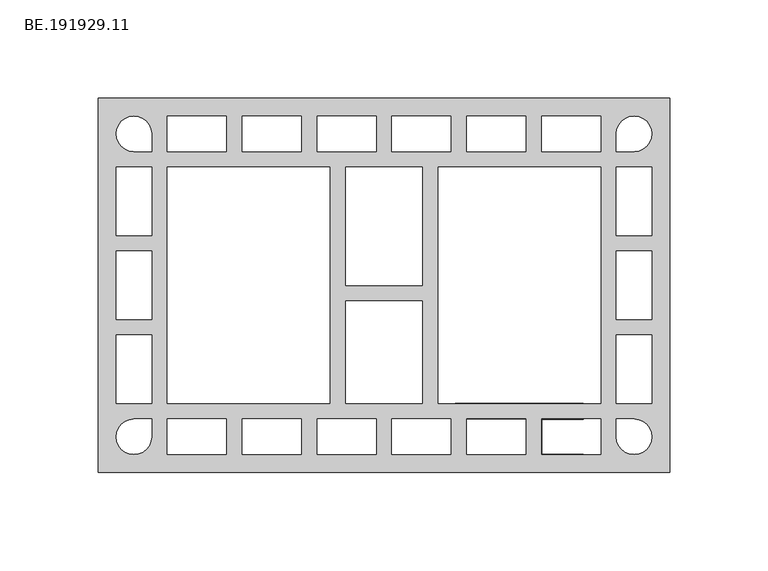
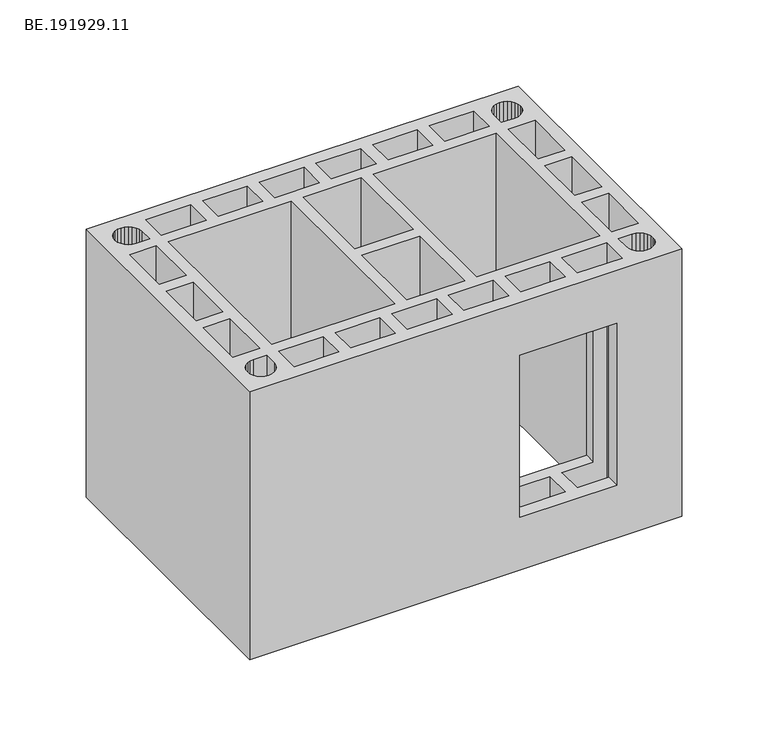
"""IFC4 building model written with IfcOpenShell, lengths in millimetres: proxy geometry, BE.191929.11."""

from ifc_helpers import new_model, si_unit, origin, place, context, project, spatial, faceted_brep, source, transform, mapped, element, save


def be_191929_11_d03b2e4c(model_context):
    return source(origin(), model_context, "Body", "Brep", [
        faceted_brep([(295.0, 95.0050293, 190.0), (5.0, 95.0050293, 190.0), (5.0, -95.0050293, 190.0), (295.0, -95.0050293, 190.0), (29.352002, 83.3592285, 190.0), (30.7844727, 81.498877, 190.0), (31.6774414, 79.3408691, 190.0), (31.9937012, 76.9968262, 190.0), (31.9937012, 68.0113281, 190.0), (22.9895996, 68.0113281, 190.0), (20.6641602, 68.3089844, 190.0), (18.4875488, 69.2019531, 190.0), (16.6271973, 70.6344238, 190.0), (15.1947266, 72.4947754, 190.0), (14.3017578, 74.6713867, 190.0), (13.985498, 76.9968262, 190.0), (14.3017578, 79.3408691, 190.0), (15.1947266, 81.498877, 190.0), (16.6271973, 83.3592285, 190.0), (18.4875488, 84.7916992, 190.0), (20.6641602, 85.7032715, 190.0), (22.9895996, 86.0009277, 190.0), (25.3150391, 85.7032715, 190.0), (27.4916504, 84.7916992, 190.0), (70.0006836, 86.0009277, 190.0), (70.0006836, 68.0113281, 190.0), (39.9932129, 68.0113281, 190.0), (39.9932129, 86.0009277, 190.0), (107.9890625, 86.0009277, 190.0), (107.9890625, 68.0113281, 190.0), (78.0001953, 68.0113281, 190.0), (78.0001953, 86.0009277, 190.0), (145.9960449, 86.0009277, 190.0), (145.9960449, 68.0051514, 190.0), (115.9885742, 68.0051514, 190.0), (115.9885742, 86.0009277, 190.0), (169.4922852, 60.0056396, 190.0), (169.4922852, 0.0, 190.0), (130.4993164, 0.0, 190.0), (130.4993164, 60.0056396, 190.0), (130.4993164, -59.9870361, 190.0), (130.4993164, -7.99021, 190.0), (169.4922852, -7.99021, 190.0), (169.4922852, -59.9870361, 190.0), (184.0030273, 68.0051514, 190.0), (153.9955566, 68.0051514, 190.0), (153.9955566, 86.0009277, 190.0), (184.0030273, 86.0009277, 190.0), (192.0025391, 86.0009277, 190.0), (221.9914063, 86.0009277, 190.0), (221.9914063, 68.0113281, 190.0), (192.0025391, 68.0113281, 190.0), (259.9983887, 86.0009277, 190.0), (259.9983887, 68.0113281, 190.0), (229.990918, 68.0113281, 190.0), (229.990918, 86.0009277, 190.0), (269.1885254, 81.498877, 190.0), (270.6209961, 83.3592285, 190.0), (272.4999512, 84.7916992, 190.0), (274.657959, 85.7032715, 190.0), (276.9833984, 86.0009277, 190.0), (279.3274414, 85.7032715, 190.0), (281.4854492, 84.7916992, 190.0), (283.3458008, 83.3592285, 190.0), (284.7782715, 81.498877, 190.0), (285.6898438, 79.3408691, 190.0), (285.9875, 76.9968262, 190.0), (285.6898438, 74.6713867, 190.0), (284.7782715, 72.4947754, 190.0), (283.3458008, 70.6344238, 190.0), (281.4854492, 69.2019531, 190.0), (279.3274414, 68.3089844, 190.0), (276.9833984, 68.0113281, 190.0), (267.9979004, 68.0113281, 190.0), (267.9979004, 76.9968262, 190.0), (268.2955566, 79.3408691, 190.0), (122.4998047, 60.0118164, 190.0), (122.4998047, -59.9932129, 190.0), (39.9932129, -59.9932129, 190.0), (39.9932129, 60.0118164, 190.0), (259.9983887, 60.0118164, 190.0), (259.9983887, -59.9932129, 190.0), (177.4917969, -59.9932129, 190.0), (177.4917969, 60.0118164, 190.0), (267.9979004, 60.0118164, 190.0), (285.9875, 60.0118164, 190.0), (285.9875, 25.34729, 190.0), (267.9979004, 25.34729, 190.0), (29.352002, -83.3592285, 190.0), (27.4916504, -84.7916992, 190.0), (25.3150391, -85.7032715, 190.0), (22.9895996, -86.0009277, 190.0), (20.6641602, -85.7032715, 190.0), (18.4875488, -84.7916992, 190.0), (16.6271973, -83.3592285, 190.0), (15.1947266, -81.498877, 190.0), (14.3017578, -79.3408691, 190.0), (13.985498, -76.9968262, 190.0), (14.3017578, -74.6713867, 190.0), (15.1947266, -72.4947754, 190.0), (16.6271973, -70.6344238, 190.0), (18.4875488, -69.2019531, 190.0), (20.6641602, -68.3089844, 190.0), (22.9895996, -68.0113281, 190.0), (31.9937012, -68.0113281, 190.0), (31.9937012, -76.9968262, 190.0), (31.6774414, -79.3408691, 190.0), (30.7844727, -81.498877, 190.0), (70.0006836, -86.0009277, 190.0), (39.9932129, -86.0009277, 190.0), (39.9932129, -68.0113281, 190.0), (70.0006836, -68.0113281, 190.0), (107.9890625, -86.0009277, 190.0), (78.0001953, -86.0009277, 190.0), (78.0001953, -68.0113281, 190.0), (107.9890625, -68.0113281, 190.0), (145.9960449, -86.0009277, 190.0), (115.9885742, -86.0009277, 190.0), (115.9885742, -67.9865479, 190.0), (145.9960449, -67.9865479, 190.0), (184.0030273, -67.9865479, 190.0), (184.0030273, -86.0009277, 190.0), (153.9955566, -86.0009277, 190.0), (153.9955566, -67.9865479, 190.0), (192.0025391, -86.0009277, 190.0), (192.0025391, -68.0113281, 190.0), (221.9914063, -68.0113281, 190.0), (221.9914063, -86.0009277, 190.0), (259.9983887, -86.0009277, 190.0), (229.990918, -86.0009277, 190.0), (229.990918, -68.0113281, 190.0), (259.9983887, -68.0113281, 190.0), (269.1885254, -81.498877, 190.0), (268.2955566, -79.3408691, 190.0), (267.9979004, -76.9968262, 190.0), (267.9979004, -68.0113281, 190.0), (276.9833984, -68.0113281, 190.0), (279.3274414, -68.3089844, 190.0), (281.4854492, -69.2019531, 190.0), (283.3458008, -70.6344238, 190.0), (284.7782715, -72.4947754, 190.0), (285.6898438, -74.6713867, 190.0), (285.9875, -76.9968262, 190.0), (285.6898438, -79.3408691, 190.0), (284.7782715, -81.498877, 190.0), (283.3458008, -83.3592285, 190.0), (281.4854492, -84.7916992, 190.0), (279.3274414, -85.7032715, 190.0), (276.9833984, -86.0009277, 190.0), (274.657959, -85.7032715, 190.0), (272.4999512, -84.7916992, 190.0), (270.6209961, -83.3592285, 190.0), (267.9979004, -60.0118164, 190.0), (267.9979004, -25.3286865, 190.0), (285.9875, -25.3286865, 190.0), (285.9875, -60.0118164, 190.0), (32.0020996, 60.0118164, 190.0), (32.0020996, 25.34729, 190.0), (14.0125, 25.34729, 190.0), (14.0125, 60.0118164, 190.0), (32.0020996, -60.0118164, 190.0), (14.0125, -60.0118164, 190.0), (14.0125, -25.3286865, 190.0), (32.0020996, -25.3286865, 190.0), (14.0125, 17.3477783, 190.0), (31.9937012, 17.3477783, 190.0), (31.9937012, -17.3291748, 190.0), (14.0125, -17.3291748, 190.0), (267.9979004, 17.3477783, 190.0), (285.9875, 17.3477783, 190.0), (285.9875, -17.3291748, 190.0), (267.9979004, -17.3291748, 190.0), (295.0, 95.0050293, 0.0), (295.0, -95.0050293, 0.0), (5.0, -95.0050293, 0.0), (5.0, 95.0050293, 0.0), (29.352002, 83.3592285, 0.0), (27.4916504, 84.7916992, 0.0), (25.3150391, 85.7032715, 0.0), (22.9895996, 86.0009277, 0.0), (20.6641602, 85.7032715, 0.0), (18.4875488, 84.7916992, 0.0), (16.6271973, 83.3592285, 0.0), (15.1947266, 81.498877, 0.0), (14.3017578, 79.3408691, 0.0), (13.985498, 76.9968262, 0.0), (14.3017578, 74.6713867, 0.0), (15.1947266, 72.4947754, 0.0), (16.6271973, 70.6344238, 0.0), (18.4875488, 69.2019531, 0.0), (20.6641602, 68.3089844, 0.0), (22.9895996, 68.0113281, 0.0), (31.9937012, 68.0113281, 0.0), (31.9937012, 76.9968262, 0.0), (31.6774414, 79.3408691, 0.0), (30.7844727, 81.498877, 0.0), (70.0006836, 86.0009277, 0.0), (39.9932129, 86.0009277, 0.0), (39.9932129, 68.0113281, 0.0), (70.0006836, 68.0113281, 0.0), (107.9890625, 86.0009277, 0.0), (78.0001953, 86.0009277, 0.0), (78.0001953, 68.0113281, 0.0), (107.9890625, 68.0113281, 0.0), (145.9960449, 86.0009277, 0.0), (115.9885742, 86.0009277, 0.0), (115.9885742, 68.0051514, 0.0), (145.9960449, 68.0051514, 0.0), (169.4922852, 60.0056396, 0.0), (130.4993164, 60.0056396, 0.0), (130.4993164, 0.0, 0.0), (169.4922852, 0.0, 0.0), (130.4993164, -59.9870361, 0.0), (169.4922852, -59.9870361, 0.0), (169.4922852, -7.99021, 0.0), (130.4993164, -7.99021, 0.0), (184.0030273, 68.0051514, 0.0), (184.0030273, 86.0009277, 0.0), (153.9955566, 86.0009277, 0.0), (153.9955566, 68.0051514, 0.0), (192.0025391, 86.0009277, 0.0), (192.0025391, 68.0113281, 0.0), (221.9914063, 68.0113281, 0.0), (221.9914063, 86.0009277, 0.0), (259.9983887, 86.0009277, 0.0), (229.990918, 86.0009277, 0.0), (229.990918, 68.0113281, 0.0), (259.9983887, 68.0113281, 0.0), (269.1885254, 81.498877, 0.0), (268.2955566, 79.3408691, 0.0), (267.9979004, 76.9968262, 0.0), (267.9979004, 68.0113281, 0.0), (276.9833984, 68.0113281, 0.0), (279.3274414, 68.3089844, 0.0), (281.4854492, 69.2019531, 0.0), (283.3458008, 70.6344238, 0.0), (284.7782715, 72.4947754, 0.0), (285.6898438, 74.6713867, 0.0), (285.9875, 76.9968262, 0.0), (285.6898438, 79.3408691, 0.0), (284.7782715, 81.498877, 0.0), (283.3458008, 83.3592285, 0.0), (281.4854492, 84.7916992, 0.0), (279.3274414, 85.7032715, 0.0), (276.9833984, 86.0009277, 0.0), (274.657959, 85.7032715, 0.0), (272.4999512, 84.7916992, 0.0), (270.6209961, 83.3592285, 0.0), (122.4998047, 60.0118164, 0.0), (39.9932129, 60.0118164, 0.0), (39.9932129, -59.9932129, 0.0), (122.4998047, -59.9932129, 0.0), (259.9983887, 60.0118164, 0.0), (177.4917969, 60.0118164, 0.0), (177.4917969, -59.9932129, 0.0), (259.9983887, -59.9932129, 0.0), (267.9979004, 60.0118164, 0.0), (267.9979004, 25.34729, 0.0), (285.9875, 25.34729, 0.0), (285.9875, 60.0118164, 0.0), (29.352002, -83.3592285, 0.0), (30.7844727, -81.498877, 0.0), (31.6774414, -79.3408691, 0.0), (31.9937012, -76.9968262, 0.0), (31.9937012, -68.0113281, 0.0), (22.9895996, -68.0113281, 0.0), (20.6641602, -68.3089844, 0.0), (18.4875488, -69.2019531, 0.0), (16.6271973, -70.6344238, 0.0), (15.1947266, -72.4947754, 0.0), (14.3017578, -74.6713867, 0.0), (13.985498, -76.9968262, 0.0), (14.3017578, -79.3408691, 0.0), (15.1947266, -81.498877, 0.0), (16.6271973, -83.3592285, 0.0), (18.4875488, -84.7916992, 0.0), (20.6641602, -85.7032715, 0.0), (22.9895996, -86.0009277, 0.0), (25.3150391, -85.7032715, 0.0), (27.4916504, -84.7916992, 0.0), (70.0006836, -86.0009277, 0.0), (70.0006836, -68.0113281, 0.0), (39.9932129, -68.0113281, 0.0), (39.9932129, -86.0009277, 0.0), (107.9890625, -86.0009277, 0.0), (107.9890625, -68.0113281, 0.0), (78.0001953, -68.0113281, 0.0), (78.0001953, -86.0009277, 0.0), (145.9960449, -86.0009277, 0.0), (145.9960449, -67.9865479, 0.0), (115.9885742, -67.9865479, 0.0), (115.9885742, -86.0009277, 0.0), (184.0030273, -67.9865479, 0.0), (153.9955566, -67.9865479, 0.0), (153.9955566, -86.0009277, 0.0), (184.0030273, -86.0009277, 0.0), (192.0025391, -86.0009277, 0.0), (221.9914063, -86.0009277, 0.0), (221.9914063, -68.0113281, 0.0), (192.0025391, -68.0113281, 0.0), (259.9983887, -86.0009277, 0.0), (259.9983887, -68.0113281, 0.0), (229.990918, -68.0113281, 0.0), (229.990918, -86.0009277, 0.0), (269.1885254, -81.498877, 0.0), (270.6209961, -83.3592285, 0.0), (272.4999512, -84.7916992, 0.0), (274.657959, -85.7032715, 0.0), (276.9833984, -86.0009277, 0.0), (279.3274414, -85.7032715, 0.0), (281.4854492, -84.7916992, 0.0), (283.3458008, -83.3592285, 0.0), (284.7782715, -81.498877, 0.0), (285.6898438, -79.3408691, 0.0), (285.9875, -76.9968262, 0.0), (285.6898438, -74.6713867, 0.0), (284.7782715, -72.4947754, 0.0), (283.3458008, -70.6344238, 0.0), (281.4854492, -69.2019531, 0.0), (279.3274414, -68.3089844, 0.0), (276.9833984, -68.0113281, 0.0), (267.9979004, -68.0113281, 0.0), (267.9979004, -76.9968262, 0.0), (268.2955566, -79.3408691, 0.0), (267.9979004, -60.0118164, 0.0), (285.9875, -60.0118164, 0.0), (285.9875, -25.3286865, 0.0), (267.9979004, -25.3286865, 0.0), (32.0020996, 60.0118164, 0.0), (14.0125, 60.0118164, 0.0), (14.0125, 25.34729, 0.0), (32.0020996, 25.34729, 0.0), (32.0020996, -60.0118164, 0.0), (32.0020996, -25.3286865, 0.0), (14.0125, -25.3286865, 0.0), (14.0125, -60.0118164, 0.0), (14.0125, 17.3477783, 0.0), (14.0125, -17.3291748, 0.0), (31.9937012, -17.3291748, 0.0), (31.9937012, 17.3477783, 0.0), (267.9979004, 17.3477783, 0.0), (267.9979004, -17.3291748, 0.0), (285.9875, -17.3291748, 0.0), (285.9875, 17.3477783, 0.0), (186.2624512, -95.0050293, 152.5), (251.2631348, -95.0050293, 152.5), (251.2631348, -95.0050293, 37.5), (186.2624512, -95.0050293, 37.5), (251.2631348, -59.9932129, 152.5), (186.2624512, -59.9932129, 152.5), (186.2624512, -59.9932129, 37.5), (251.2631348, -59.9932129, 37.5), (192.0025391, -86.0009277, 152.5), (192.0025391, -68.0113281, 152.5), (192.0025391, -68.0113281, 37.5), (192.0025391, -86.0009277, 37.5), (221.9914063, -68.0113281, 152.5), (221.9914063, -68.0113281, 37.5), (221.9914063, -86.0009277, 152.5), (221.9914063, -86.0009277, 37.5), (229.990918, -86.0009277, 37.5), (251.2631348, -86.0009277, 37.5), (251.2631348, -86.0009277, 152.5), (229.990918, -86.0009277, 152.5), (229.990918, -68.0113281, 152.5), (229.990918, -68.0113281, 37.5), (251.2631348, -68.0113281, 152.5), (251.2631348, -68.0113281, 37.5)], [[[0, 1, 2, 3], [4, 5, 6, 7, 8, 9, 10, 11, 12, 13, 14, 15, 16, 17, 18, 19, 20, 21, 22, 23], [24, 25, 26, 27], [28, 29, 30, 31], [32, 33, 34, 35], [36, 37, 38, 39], [40, 41, 42, 43], [44, 45, 46, 47], [48, 49, 50, 51], [52, 53, 54, 55], [56, 57, 58, 59, 60, 61, 62, 63, 64, 65, 66, 67, 68, 69, 70, 71, 72, 73, 74, 75], [76, 77, 78, 79], [80, 81, 82, 83], [84, 85, 86, 87], [88, 89, 90, 91, 92, 93, 94, 95, 96, 97, 98, 99, 100, 101, 102, 103, 104, 105, 106, 107], [108, 109, 110, 111], [112, 113, 114, 115], [116, 117, 118, 119], [120, 121, 122, 123], [124, 125, 126, 127], [128, 129, 130, 131], [132, 133, 134, 135, 136, 137, 138, 139, 140, 141, 142, 143, 144, 145, 146, 147, 148, 149, 150, 151], [152, 153, 154, 155], [156, 157, 158, 159], [160, 161, 162, 163], [164, 165, 166, 167], [168, 169, 170, 171]], [[172, 173, 174, 175], [176, 177, 178, 179, 180, 181, 182, 183, 184, 185, 186, 187, 188, 189, 190, 191, 192, 193, 194, 195], [196, 197, 198, 199], [200, 201, 202, 203], [204, 205, 206, 207], [208, 209, 210, 211], [212, 213, 214, 215], [216, 217, 218, 219], [220, 221, 222, 223], [224, 225, 226, 227], [228, 229, 230, 231, 232, 233, 234, 235, 236, 237, 238, 239, 240, 241, 242, 243, 244, 245, 246, 247], [248, 249, 250, 251], [252, 253, 254, 255], [256, 257, 258, 259], [260, 261, 262, 263, 264, 265, 266, 267, 268, 269, 270, 271, 272, 273, 274, 275, 276, 277, 278, 279], [280, 281, 282, 283], [284, 285, 286, 287], [288, 289, 290, 291], [292, 293, 294, 295], [296, 297, 298, 299], [300, 301, 302, 303], [304, 305, 306, 307, 308, 309, 310, 311, 312, 313, 314, 315, 316, 317, 318, 319, 320, 321, 322, 323], [324, 325, 326, 327], [328, 329, 330, 331], [332, 333, 334, 335], [336, 337, 338, 339], [340, 341, 342, 343]], [[1, 0, 172, 175]], [[2, 1, 175, 174]], [[3, 2, 174, 173], [344, 345, 346, 347]], [[0, 3, 173, 172]], [[5, 4, 176, 195]], [[6, 5, 195, 194]], [[7, 6, 194, 193]], [[8, 7, 193, 192]], [[9, 8, 192, 191]], [[10, 9, 191, 190]], [[11, 10, 190, 189]], [[12, 11, 189, 188]], [[13, 12, 188, 187]], [[14, 13, 187, 186]], [[15, 14, 186, 185]], [[16, 15, 185, 184]], [[17, 16, 184, 183]], [[18, 17, 183, 182]], [[19, 18, 182, 181]], [[20, 19, 181, 180]], [[21, 20, 180, 179]], [[22, 21, 179, 178]], [[23, 22, 178, 177]], [[4, 23, 177, 176]], [[25, 24, 196, 199]], [[26, 25, 199, 198]], [[27, 26, 198, 197]], [[24, 27, 197, 196]], [[29, 28, 200, 203]], [[30, 29, 203, 202]], [[31, 30, 202, 201]], [[28, 31, 201, 200]], [[33, 32, 204, 207]], [[34, 33, 207, 206]], [[35, 34, 206, 205]], [[32, 35, 205, 204]], [[37, 36, 208, 211]], [[40, 43, 213, 212]], [[41, 40, 212, 215]], [[36, 39, 209, 208]], [[45, 44, 216, 219]], [[46, 45, 219, 218]], [[47, 46, 218, 217]], [[44, 47, 217, 216]], [[49, 48, 220, 223]], [[50, 49, 223, 222]], [[51, 50, 222, 221]], [[48, 51, 221, 220]], [[53, 52, 224, 227]], [[54, 53, 227, 226]], [[55, 54, 226, 225]], [[52, 55, 225, 224]], [[57, 56, 228, 247]], [[58, 57, 247, 246]], [[59, 58, 246, 245]], [[60, 59, 245, 244]], [[61, 60, 244, 243]], [[62, 61, 243, 242]], [[63, 62, 242, 241]], [[64, 63, 241, 240]], [[65, 64, 240, 239]], [[66, 65, 239, 238]], [[67, 66, 238, 237]], [[68, 67, 237, 236]], [[69, 68, 236, 235]], [[70, 69, 235, 234]], [[71, 70, 234, 233]], [[72, 71, 233, 232]], [[73, 72, 232, 231]], [[74, 73, 231, 230]], [[75, 74, 230, 229]], [[56, 75, 229, 228]], [[77, 76, 248, 251]], [[78, 77, 251, 250]], [[79, 78, 250, 249]], [[76, 79, 249, 248]], [[81, 80, 252, 255]], [[82, 81, 255, 254], [348, 349, 350, 351]], [[83, 82, 254, 253]], [[80, 83, 253, 252]], [[85, 84, 256, 259]], [[86, 85, 259, 258]], [[87, 86, 258, 257]], [[84, 87, 257, 256]], [[89, 88, 260, 279]], [[90, 89, 279, 278]], [[91, 90, 278, 277]], [[92, 91, 277, 276]], [[93, 92, 276, 275]], [[94, 93, 275, 274]], [[95, 94, 274, 273]], [[96, 95, 273, 272]], [[97, 96, 272, 271]], [[98, 97, 271, 270]], [[99, 98, 270, 269]], [[100, 99, 269, 268]], [[101, 100, 268, 267]], [[102, 101, 267, 266]], [[103, 102, 266, 265]], [[104, 103, 265, 264]], [[105, 104, 264, 263]], [[106, 105, 263, 262]], [[107, 106, 262, 261]], [[88, 107, 261, 260]], [[109, 108, 280, 283]], [[110, 109, 283, 282]], [[111, 110, 282, 281]], [[108, 111, 281, 280]], [[113, 112, 284, 287]], [[114, 113, 287, 286]], [[115, 114, 286, 285]], [[112, 115, 285, 284]], [[117, 116, 288, 291]], [[118, 117, 291, 290]], [[119, 118, 290, 289]], [[116, 119, 289, 288]], [[121, 120, 292, 295]], [[122, 121, 295, 294]], [[123, 122, 294, 293]], [[120, 123, 293, 292]], [[125, 124, 352, 353]], [[296, 299, 354, 355]], [[126, 125, 353, 356]], [[299, 298, 357, 354]], [[127, 126, 356, 358]], [[298, 297, 359, 357]], [[124, 127, 358, 352]], [[297, 296, 355, 359]], [[129, 128, 300, 303, 360, 361, 362, 363]], [[130, 129, 363, 364]], [[303, 302, 365, 360]], [[131, 130, 364, 366, 367, 365, 302, 301]], [[128, 131, 301, 300]], [[133, 132, 304, 323]], [[134, 133, 323, 322]], [[135, 134, 322, 321]], [[136, 135, 321, 320]], [[137, 136, 320, 319]], [[138, 137, 319, 318]], [[139, 138, 318, 317]], [[140, 139, 317, 316]], [[141, 140, 316, 315]], [[142, 141, 315, 314]], [[143, 142, 314, 313]], [[144, 143, 313, 312]], [[145, 144, 312, 311]], [[146, 145, 311, 310]], [[147, 146, 310, 309]], [[148, 147, 309, 308]], [[149, 148, 308, 307]], [[150, 149, 307, 306]], [[151, 150, 306, 305]], [[132, 151, 305, 304]], [[153, 152, 324, 327]], [[154, 153, 327, 326]], [[155, 154, 326, 325]], [[152, 155, 325, 324]], [[157, 156, 328, 331]], [[158, 157, 331, 330]], [[159, 158, 330, 329]], [[156, 159, 329, 328]], [[161, 160, 332, 335]], [[162, 161, 335, 334]], [[163, 162, 334, 333]], [[160, 163, 333, 332]], [[362, 345, 344, 349, 348, 366, 364, 363], [353, 352, 358, 356]], [[349, 344, 347, 350]], [[350, 347, 346, 361, 360, 365, 367, 351], [355, 354, 357, 359]], [[345, 362, 361, 346]], [[366, 348, 351, 367]], [[165, 164, 336, 339]], [[166, 165, 339, 338]], [[167, 166, 338, 337]], [[164, 167, 337, 336]], [[169, 168, 340, 343]], [[170, 169, 343, 342]], [[171, 170, 342, 341]], [[168, 171, 341, 340]], [[38, 37, 211, 210]], [[39, 38, 210, 209]], [[42, 41, 215, 214]], [[43, 42, 214, 213]]]),
    ])


if __name__ == "__main__":
    model = new_model("IFC4")
    model_context = context("Model", 3, world=origin())
    ifc_project = project(units=[si_unit("LENGTHUNIT", "METRE", prefix="MILLI")], contexts=[model_context])
    site = spatial("IfcSite", under=ifc_project)
    building = spatial("IfcBuilding", under=site)
    placement = place(None, origin())
    be_191929_11_shape = be_191929_11_d03b2e4c(model_context)
    element("IfcBuildingElementProxy", 1, Name="BE.191929.11", ObjectType="BE.191929.11", at=placement, inside=building, context=model_context, shape_type="MappedRepresentation", body=[
        mapped(be_191929_11_shape, transform((0.0, 0.0, 0.0), x_axis=(1.0, 0.0, 0.0), y_axis=(0.0, 1.0, 0.0), z_axis=(0.0, 0.0, 1.0))),
    ])
    save(model, "model.ifc")
